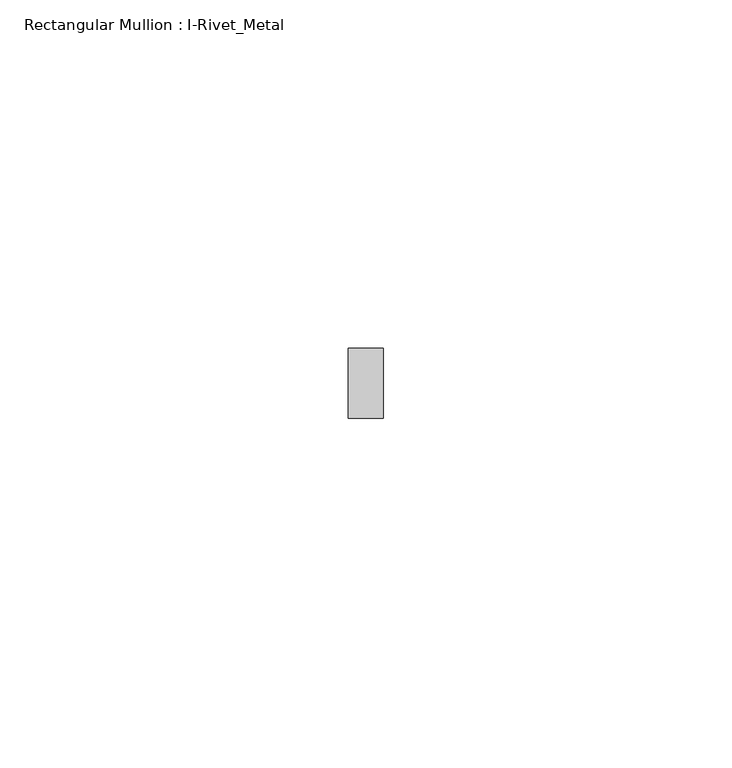
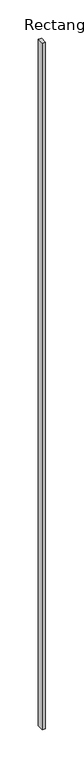
"""IFC4 building model written with IfcOpenShell, lengths in millimetres: member geometry, Rectangular Mullion : I-Rivet_Metal."""

from ifc_helpers import new_model, si_unit, frame, origin, place, context, project, spatial, polyline, outline, extrude, source, transform, mapped, element, save


def rectangular_mullion_i_rivet_metal_1166baad(model_context):
    return source(origin(), model_context, "Body", "SweptSolid", [
        extrude(outline(polyline([(2.5, 70.0), (-2.5, 70.0), (-2.5, 80.0), (2.5, 80.0), (2.5, 70.0)])), frame((0.0, 0.0, -1094.4412123), z_axis=(0.0, 0.0, 1.0), x_axis=(1.0, 0.0, 0.0)), (0.0, 0.0, 1.0), 1094.4412123),
    ])


if __name__ == "__main__":
    model = new_model("IFC4")
    model_context = context("Model", 3, world=origin())
    ifc_project = project(units=[si_unit("LENGTHUNIT", "METRE", prefix="MILLI")], contexts=[model_context])
    site = spatial("IfcSite", under=ifc_project)
    building = spatial("IfcBuilding", under=site)
    placement = place(None, origin())
    rectangular_mullion_i_rivet_metal_shape = rectangular_mullion_i_rivet_metal_1166baad(model_context)
    element("IfcMember", 1, ObjectType="Rectangular Mullion : I-Rivet_Metal", at=placement, inside=building, context=model_context, shape_type="MappedRepresentation", body=[
        mapped(rectangular_mullion_i_rivet_metal_shape, transform((0.0, 0.0, 0.0), x_axis=(1.0, 0.0, 0.0), y_axis=(0.0, 1.0, 0.0), z_axis=(0.0, 0.0, 1.0))),
    ])
    save(model, "model.ifc")
